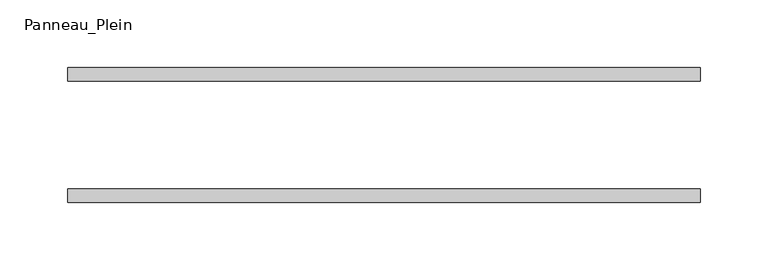
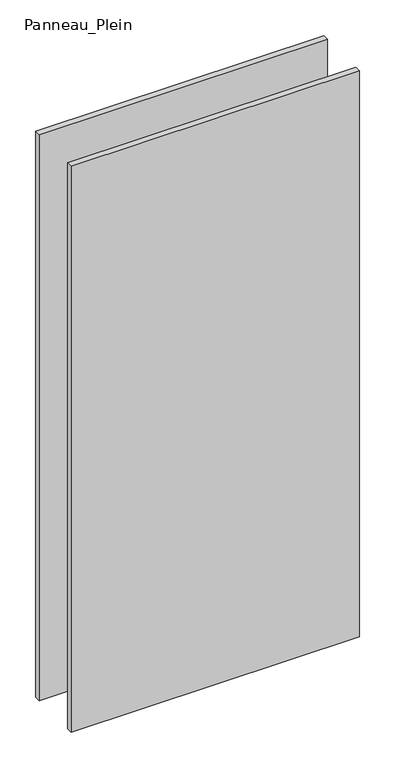
"""IFC4 building model written with IfcOpenShell, lengths in millimetres: plate geometry, Panneau_Plein."""

from ifc_helpers import new_model, si_unit, origin, origin_with_axes, place, context, project, spatial, polyline, outline, extrude, source, transform, mapped, element, save


def panneau_plein_114bf9c3(model_context):
    return source(origin(), model_context, "Body", "SweptSolid", [
        extrude(outline(polyline([(234.1773172, 50.0), (234.1773172, 40.0), (-234.1773172, 40.0), (-234.1773172, 50.0), (234.1773172, 50.0)])), origin_with_axes(), (0.0, 0.0, 1.0), 971.1805856),
        extrude(outline(polyline([(234.1773172, -40.0), (234.1773172, -50.0), (-234.1773172, -50.0), (-234.1773172, -40.0), (234.1773172, -40.0)])), origin_with_axes(), (0.0, 0.0, 1.0), 971.1805856),
    ])


if __name__ == "__main__":
    model = new_model("IFC4")
    model_context = context("Model", 3, world=origin())
    ifc_project = project(units=[si_unit("LENGTHUNIT", "METRE", prefix="MILLI")], contexts=[model_context])
    site = spatial("IfcSite", under=ifc_project)
    building = spatial("IfcBuilding", under=site)
    placement = place(None, origin())
    panneau_plein_shape = panneau_plein_114bf9c3(model_context)
    element("IfcPlate", 1, ObjectType="Panneau_Plein", at=placement, inside=building, context=model_context, shape_type="MappedRepresentation", body=[
        mapped(panneau_plein_shape, transform((0.0, 0.0, 0.0), x_axis=(1.0, 0.0, 0.0), y_axis=(0.0, 1.0, 0.0), z_axis=(0.0, 0.0, 1.0))),
    ])
    save(model, "model.ifc")
